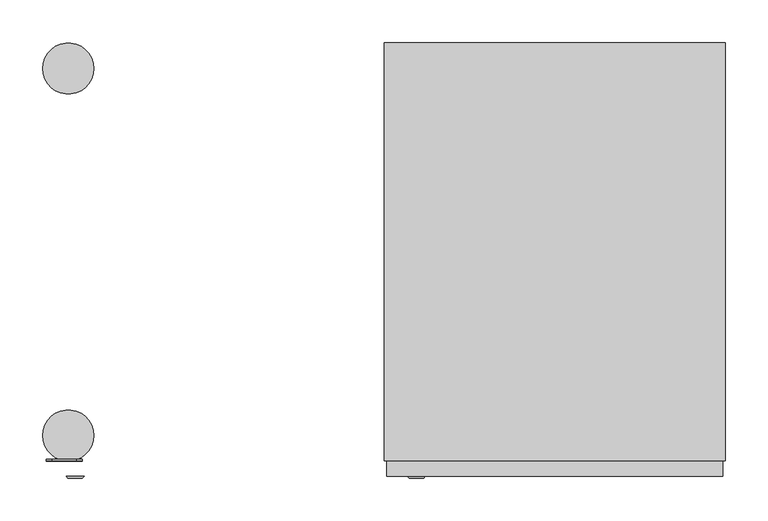
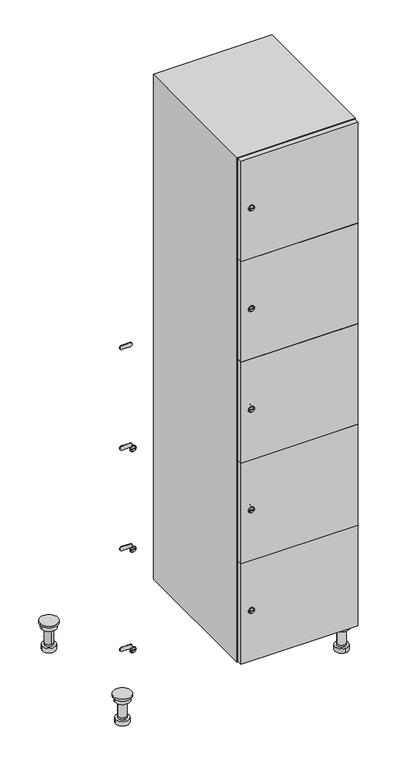
"""IFC4 building model written with IfcOpenShell, lengths in millimetres: furniture geometry."""

from ifc_helpers import new_model, si_unit, point, frame, frame_2d, origin, place, context, project, spatial, polyline, circle_curve, trimmed, segment, composite_curve, outline, extrude, faceted_brep, source, transform, mapped, element, save
from ifc_brep_helpers import plane_surface, cylinder_surface, revolved_surface, advanced_brep


def furniture_a41cfca4(model_context):
    return source(origin(), model_context, "Body", "SolidModel", [
        advanced_brep(
        [(570.0, -201.0, 22.0), (570.0, -201.5, 16.0), (570.0, -228.5, 16.0), (570.0, -229.0, 22.0), (556.0, -215.0, 22.0), (584.0, -215.0, 22.0), (570.0, -192.5, 16.0), (570.0, -237.5, 16.0), (570.0, -192.5, 0.0), (570.0, -237.5, 0.0), (584.0, -215.0, 78.0), (556.0, -215.0, 78.0), (595.0, -215.0, 78.0), (545.0, -215.0, 78.0), (600.0, -215.0, 94.0), (540.0, -215.0, 94.0), (545.0, -215.0, 94.0), (595.0, -215.0, 94.0), (600.0, -215.0, 100.0), (540.0, -215.0, 100.0)],
        [
            (0, 1),
            (1, 2, circle_curve(frame((570.0, -215.0, 16.0), z_axis=(0.0, 0.0, 1.0), x_axis=(0.0, -1.0, 0.0)), 13.5)),
            (2, 3),
            (3, 4, circle_curve(frame((570.0, -215.0, 22.0), z_axis=(0.0, 0.0, -1.0), x_axis=(0.0, -1.0, 0.0)), 14.0)),
            (4, 0, circle_curve(frame((570.0, -215.0, 22.0), z_axis=(0.0, 0.0, -1.0), x_axis=(0.0, -1.0, 0.0)), 14.0)),
            (0, 5, circle_curve(frame((570.0, -215.0, 22.0), z_axis=(0.0, 0.0, -1.0), x_axis=(0.0, 1.0, 0.0)), 14.0)),
            (5, 3, circle_curve(frame((570.0, -215.0, 22.0), z_axis=(0.0, 0.0, -1.0), x_axis=(0.0, 1.0, 0.0)), 14.0)),
            (2, 1, circle_curve(frame((570.0, -215.0, 16.0), z_axis=(0.0, 0.0, 1.0), x_axis=(0.0, 1.0, 0.0)), 13.5)),
            (6, 7, circle_curve(frame((570.0, -215.0, 16.0), z_axis=(0.0, 0.0, 1.0), x_axis=(0.0, -1.0, 0.0)), 22.5)),
            (7, 6, circle_curve(frame((570.0, -215.0, 16.0), z_axis=(0.0, 0.0, 1.0), x_axis=(0.0, -1.0, 0.0)), 22.5)),
            (8, 9, circle_curve(frame((570.0, -215.0, 0.0), z_axis=(0.0, 0.0, -1.0), x_axis=(0.0, -1.0, 0.0)), 22.5)),
            (9, 8, circle_curve(frame((570.0, -215.0, 0.0), z_axis=(0.0, 0.0, -1.0), x_axis=(0.0, -1.0, 0.0)), 22.5)),
            (6, 8),
            (9, 7),
            (5, 10),
            (10, 11, circle_curve(frame((570.0, -215.0, 78.0), z_axis=(0.0, 0.0, -1.0), x_axis=(-1.0, 0.0, 0.0)), 14.0)),
            (11, 4),
            (11, 10, circle_curve(frame((570.0, -215.0, 78.0), z_axis=(0.0, 0.0, -1.0), x_axis=(-1.0, 0.0, 0.0)), 14.0)),
            (12, 13, circle_curve(frame((570.0, -215.0, 78.0), z_axis=(0.0, 0.0, -1.0), x_axis=(-1.0, 0.0, 0.0)), 25.0)),
            (13, 12, circle_curve(frame((570.0, -215.0, 78.0), z_axis=(0.0, 0.0, -1.0), x_axis=(-1.0, 0.0, 0.0)), 25.0)),
            (14, 15, circle_curve(frame((570.0, -215.0, 94.0), z_axis=(0.0, 0.0, -1.0), x_axis=(-1.0, 0.0, 0.0)), 30.0)),
            (15, 14, circle_curve(frame((570.0, -215.0, 94.0), z_axis=(0.0, 0.0, -1.0), x_axis=(-1.0, 0.0, 0.0)), 30.0)),
            (16, 17, circle_curve(frame((570.0, -215.0, 94.0), z_axis=(0.0, 0.0, 1.0), x_axis=(-1.0, 0.0, 0.0)), 25.0)),
            (17, 16, circle_curve(frame((570.0, -215.0, 94.0), z_axis=(0.0, 0.0, 1.0), x_axis=(-1.0, 0.0, 0.0)), 25.0)),
            (18, 19, circle_curve(frame((570.0, -215.0, 100.0), z_axis=(0.0, 0.0, 1.0), x_axis=(-1.0, 0.0, 0.0)), 30.0)),
            (19, 18, circle_curve(frame((570.0, -215.0, 100.0), z_axis=(0.0, 0.0, 1.0), x_axis=(-1.0, 0.0, 0.0)), 30.0)),
            (14, 18),
            (19, 15),
            (12, 17),
            (16, 13),
        ],
        [
            revolved_surface(polyline([(570.0, -201.5, 16.0), (570.0, -201.0, 22.0)]), (570.0, -215.0, -146.0), (0.0, 0.0, 1.0)),
            plane_surface(frame((570.0, 0.0, 16.0), z_axis=(0.0, 0.0, 1.0), x_axis=(0.0, -1.0, 0.0))),
            plane_surface(frame((570.0, 0.0, 0.0), z_axis=(0.0, 0.0, -1.0), x_axis=(0.0, -1.0, 0.0))),
            cylinder_surface(frame((570.0, -215.0, 16.0), z_axis=(0.0, 0.0, 1.0), x_axis=(0.0, -1.0, 0.0)), 22.5),
            cylinder_surface(frame((570.0, -215.0, 22.0), z_axis=(0.0, 0.0, -1.0), x_axis=(-1.0, 0.0, 0.0)), 14.0),
            plane_surface(frame((570.0, 0.0, 78.0), z_axis=(0.0, 0.0, -1.0), x_axis=(0.0, -1.0, 0.0))),
            plane_surface(frame((570.0, 0.0, 94.0), z_axis=(0.0, 0.0, -1.0), x_axis=(0.0, -1.0, 0.0))),
            plane_surface(frame((570.0, 0.0, 100.0), z_axis=(0.0, 0.0, 1.0), x_axis=(0.0, -1.0, 0.0))),
            cylinder_surface(frame((570.0, -215.0, 94.0), z_axis=(0.0, 0.0, -1.0), x_axis=(-1.0, 0.0, 0.0)), 30.0),
            cylinder_surface(frame((570.0, -215.0, 78.0), z_axis=(0.0, 0.0, -1.0), x_axis=(-1.0, 0.0, 0.0)), 25.0),
        ],
        [
            (0, [[1, 2, 3, 4, 5]]),
            (0, [[-1, 6, 7, -3, 8]]),
            (1, [[9, 10], [-2, -8]]),
            (2, [[11, 12]]),
            (3, [[-9, 13, -12, 14]]),
            (3, [[-10, -14, -11, -13]]),
            (4, [[15, 16, 17, -4, -7]]),
            (4, [[-15, -6, -5, -17, 18]]),
            (5, [[19, 20], [-16, -18]]),
            (6, [[21, 22], [23, 24]]),
            (7, [[25, 26]]),
            (8, [[-21, 27, -26, 28]]),
            (8, [[-22, -28, -25, -27]]),
            (9, [[-19, 29, -23, 30]]),
            (9, [[-20, -30, -24, -29]]),
        ],
    ),
        advanced_brep(
        [(-170.0, -201.0, 22.0), (-170.0, -201.5, 16.0), (-170.0, -228.5, 16.0), (-170.0, -229.0, 22.0), (-184.0, -215.0, 22.0), (-156.0, -215.0, 22.0), (-147.5, -215.0, 0.0), (-192.5, -215.0, 0.0), (-147.5, -215.0, 16.0), (-192.5, -215.0, 16.0), (-156.0, -215.0, 78.0), (-184.0, -215.0, 78.0), (-145.0, -215.0, 78.0), (-195.0, -215.0, 78.0), (-140.0, -215.0, 94.0), (-200.0, -215.0, 94.0), (-195.0, -215.0, 94.0), (-145.0, -215.0, 94.0), (-140.0, -215.0, 100.0), (-200.0, -215.0, 100.0)],
        [
            (0, 1),
            (1, 2, circle_curve(frame((-170.0, -215.0, 16.0), z_axis=(0.0, 0.0, 1.0), x_axis=(0.0, -1.0, 0.0)), 13.5)),
            (2, 3),
            (3, 4, circle_curve(frame((-170.0, -215.0, 22.0), z_axis=(0.0, 0.0, -1.0), x_axis=(0.0, -1.0, 0.0)), 14.0)),
            (4, 0, circle_curve(frame((-170.0, -215.0, 22.0), z_axis=(0.0, 0.0, -1.0), x_axis=(0.0, -1.0, 0.0)), 14.0)),
            (0, 5, circle_curve(frame((-170.0, -215.0, 22.0), z_axis=(0.0, 0.0, -1.0), x_axis=(0.0, 1.0, 0.0)), 14.0)),
            (5, 3, circle_curve(frame((-170.0, -215.0, 22.0), z_axis=(0.0, 0.0, -1.0), x_axis=(0.0, 1.0, 0.0)), 14.0)),
            (2, 1, circle_curve(frame((-170.0, -215.0, 16.0), z_axis=(0.0, 0.0, 1.0), x_axis=(0.0, 1.0, 0.0)), 13.5)),
            (6, 7, circle_curve(frame((-170.0, -215.0, 0.0), z_axis=(0.0, 0.0, -1.0), x_axis=(-1.0, 0.0, 0.0)), 22.5)),
            (7, 6, circle_curve(frame((-170.0, -215.0, 0.0), z_axis=(0.0, 0.0, -1.0), x_axis=(-1.0, 0.0, 0.0)), 22.5)),
            (8, 9, circle_curve(frame((-170.0, -215.0, 16.0), z_axis=(0.0, 0.0, 1.0), x_axis=(-1.0, 0.0, 0.0)), 22.5)),
            (9, 8, circle_curve(frame((-170.0, -215.0, 16.0), z_axis=(0.0, 0.0, 1.0), x_axis=(-1.0, 0.0, 0.0)), 22.5)),
            (6, 8),
            (9, 7),
            (5, 10),
            (10, 11, circle_curve(frame((-170.0, -215.0, 78.0), z_axis=(0.0, 0.0, -1.0), x_axis=(-1.0, 0.0, 0.0)), 14.0)),
            (11, 4),
            (11, 10, circle_curve(frame((-170.0, -215.0, 78.0), z_axis=(0.0, 0.0, -1.0), x_axis=(-1.0, 0.0, 0.0)), 14.0)),
            (12, 13, circle_curve(frame((-170.0, -215.0, 78.0), z_axis=(0.0, 0.0, -1.0), x_axis=(-1.0, 0.0, 0.0)), 25.0)),
            (13, 12, circle_curve(frame((-170.0, -215.0, 78.0), z_axis=(0.0, 0.0, -1.0), x_axis=(-1.0, 0.0, 0.0)), 25.0)),
            (14, 15, circle_curve(frame((-170.0, -215.0, 94.0), z_axis=(0.0, 0.0, -1.0), x_axis=(-1.0, 0.0, 0.0)), 30.0)),
            (15, 14, circle_curve(frame((-170.0, -215.0, 94.0), z_axis=(0.0, 0.0, -1.0), x_axis=(-1.0, 0.0, 0.0)), 30.0)),
            (16, 17, circle_curve(frame((-170.0, -215.0, 94.0), z_axis=(0.0, 0.0, 1.0), x_axis=(-1.0, 0.0, 0.0)), 25.0)),
            (17, 16, circle_curve(frame((-170.0, -215.0, 94.0), z_axis=(0.0, 0.0, 1.0), x_axis=(-1.0, 0.0, 0.0)), 25.0)),
            (18, 19, circle_curve(frame((-170.0, -215.0, 100.0), z_axis=(0.0, 0.0, 1.0), x_axis=(-1.0, 0.0, 0.0)), 30.0)),
            (19, 18, circle_curve(frame((-170.0, -215.0, 100.0), z_axis=(0.0, 0.0, 1.0), x_axis=(-1.0, 0.0, 0.0)), 30.0)),
            (14, 18),
            (19, 15),
            (12, 17),
            (16, 13),
        ],
        [
            revolved_surface(polyline([(-170.0, -201.5, 16.0), (-170.0, -201.0, 22.0)]), (-170.0, -215.0, -146.0), (0.0, 0.0, 1.0)),
            plane_surface(frame((-170.0, 0.0, 0.0), z_axis=(0.0, 0.0, -1.0), x_axis=(0.0, -1.0, 0.0))),
            plane_surface(frame((-170.0, 0.0, 16.0), z_axis=(0.0, 0.0, 1.0), x_axis=(0.0, -1.0, 0.0))),
            cylinder_surface(frame((-170.0, -215.0, 0.0), z_axis=(0.0, 0.0, -1.0), x_axis=(-1.0, 0.0, 0.0)), 22.5),
            cylinder_surface(frame((-170.0, -215.0, 22.0), z_axis=(0.0, 0.0, -1.0), x_axis=(-1.0, 0.0, 0.0)), 14.0),
            plane_surface(frame((-170.0, 0.0, 78.0), z_axis=(0.0, 0.0, -1.0), x_axis=(0.0, -1.0, 0.0))),
            plane_surface(frame((-170.0, 0.0, 94.0), z_axis=(0.0, 0.0, -1.0), x_axis=(0.0, -1.0, 0.0))),
            plane_surface(frame((-170.0, 0.0, 100.0), z_axis=(0.0, 0.0, 1.0), x_axis=(0.0, -1.0, 0.0))),
            cylinder_surface(frame((-170.0, -215.0, 94.0), z_axis=(0.0, 0.0, -1.0), x_axis=(-1.0, 0.0, 0.0)), 30.0),
            cylinder_surface(frame((-170.0, -215.0, 78.0), z_axis=(0.0, 0.0, -1.0), x_axis=(-1.0, 0.0, 0.0)), 25.0),
        ],
        [
            (0, [[1, 2, 3, 4, 5]]),
            (0, [[-1, 6, 7, -3, 8]]),
            (1, [[9, 10]]),
            (2, [[11, 12], [-2, -8]]),
            (3, [[-9, 13, -12, 14]]),
            (3, [[-10, -14, -11, -13]]),
            (4, [[15, 16, 17, -4, -7]]),
            (4, [[-15, -6, -5, -17, 18]]),
            (5, [[19, 20], [-16, -18]]),
            (6, [[21, 22], [23, 24]]),
            (7, [[25, 26]]),
            (8, [[-21, 27, -26, 28]]),
            (8, [[-22, -28, -25, -27]]),
            (9, [[-19, 29, -23, 30]]),
            (9, [[-20, -30, -24, -29]]),
        ],
    ),
        advanced_brep(
        [(583.5, 215.0, 16.0), (584.0, 215.0, 22.0), (556.0, 215.0, 22.0), (556.5, 215.0, 16.0), (592.5, 215.0, 0.0), (547.5, 215.0, 0.0), (592.5, 215.0, 16.0), (547.5, 215.0, 16.0), (584.0, 215.0, 78.0), (556.0, 215.0, 78.0), (595.0, 215.0, 78.0), (545.0, 215.0, 78.0), (600.0, 215.0, 94.0), (540.0, 215.0, 94.0), (545.0, 215.0, 94.0), (595.0, 215.0, 94.0), (600.0, 215.0, 100.0), (540.0, 215.0, 100.0)],
        [
            (0, 1),
            (1, 2, circle_curve(frame((570.0, 215.0, 22.0), z_axis=(0.0, 0.0, -1.0), x_axis=(-1.0, 0.0, 0.0)), 14.0)),
            (2, 3),
            (3, 0, circle_curve(frame((570.0, 215.0, 16.0), z_axis=(0.0, 0.0, 1.0), x_axis=(-1.0, 0.0, 0.0)), 13.5)),
            (0, 3, circle_curve(frame((570.0, 215.0, 16.0), z_axis=(0.0, 0.0, 1.0), x_axis=(1.0, 0.0, 0.0)), 13.5)),
            (2, 1, circle_curve(frame((570.0, 215.0, 22.0), z_axis=(0.0, 0.0, -1.0), x_axis=(1.0, 0.0, 0.0)), 14.0)),
            (4, 5, circle_curve(frame((570.0, 215.0, 0.0), z_axis=(0.0, 0.0, -1.0), x_axis=(-1.0, 0.0, 0.0)), 22.5)),
            (5, 4, circle_curve(frame((570.0, 215.0, 0.0), z_axis=(0.0, 0.0, -1.0), x_axis=(-1.0, 0.0, 0.0)), 22.5)),
            (6, 7, circle_curve(frame((570.0, 215.0, 16.0), z_axis=(0.0, 0.0, 1.0), x_axis=(-1.0, 0.0, 0.0)), 22.5)),
            (7, 6, circle_curve(frame((570.0, 215.0, 16.0), z_axis=(0.0, 0.0, 1.0), x_axis=(-1.0, 0.0, 0.0)), 22.5)),
            (4, 6),
            (7, 5),
            (1, 8),
            (8, 9, circle_curve(frame((570.0, 215.0, 78.0), z_axis=(0.0, 0.0, -1.0), x_axis=(-1.0, 0.0, 0.0)), 14.0)),
            (9, 2),
            (9, 8, circle_curve(frame((570.0, 215.0, 78.0), z_axis=(0.0, 0.0, -1.0), x_axis=(-1.0, 0.0, 0.0)), 14.0)),
            (10, 11, circle_curve(frame((570.0, 215.0, 78.0), z_axis=(0.0, 0.0, -1.0), x_axis=(-1.0, 0.0, 0.0)), 25.0)),
            (11, 10, circle_curve(frame((570.0, 215.0, 78.0), z_axis=(0.0, 0.0, -1.0), x_axis=(-1.0, 0.0, 0.0)), 25.0)),
            (12, 13, circle_curve(frame((570.0, 215.0, 94.0), z_axis=(0.0, 0.0, -1.0), x_axis=(-1.0, 0.0, 0.0)), 30.0)),
            (13, 12, circle_curve(frame((570.0, 215.0, 94.0), z_axis=(0.0, 0.0, -1.0), x_axis=(-1.0, 0.0, 0.0)), 30.0)),
            (14, 15, circle_curve(frame((570.0, 215.0, 94.0), z_axis=(0.0, 0.0, 1.0), x_axis=(-1.0, 0.0, 0.0)), 25.0)),
            (15, 14, circle_curve(frame((570.0, 215.0, 94.0), z_axis=(0.0, 0.0, 1.0), x_axis=(-1.0, 0.0, 0.0)), 25.0)),
            (16, 17, circle_curve(frame((570.0, 215.0, 100.0), z_axis=(0.0, 0.0, 1.0), x_axis=(-1.0, 0.0, 0.0)), 30.0)),
            (17, 16, circle_curve(frame((570.0, 215.0, 100.0), z_axis=(0.0, 0.0, 1.0), x_axis=(-1.0, 0.0, 0.0)), 30.0)),
            (12, 16),
            (17, 13),
            (10, 15),
            (14, 11),
        ],
        [
            revolved_surface(polyline([(583.5, 215.0, 16.0), (584.0, 215.0, 22.0)]), (570.0, 215.0, -146.0), (0.0, 0.0, 1.0)),
            plane_surface(frame((570.0, 0.0, 0.0), z_axis=(0.0, 0.0, -1.0), x_axis=(0.0, -1.0, 0.0))),
            plane_surface(frame((570.0, 0.0, 16.0), z_axis=(0.0, 0.0, 1.0), x_axis=(0.0, -1.0, 0.0))),
            cylinder_surface(frame((570.0, 215.0, 0.0), z_axis=(0.0, 0.0, -1.0), x_axis=(-1.0, 0.0, 0.0)), 22.5),
            cylinder_surface(frame((570.0, 215.0, 22.0), z_axis=(0.0, 0.0, -1.0), x_axis=(-1.0, 0.0, 0.0)), 14.0),
            plane_surface(frame((570.0, 0.0, 78.0), z_axis=(0.0, 0.0, -1.0), x_axis=(0.0, -1.0, 0.0))),
            plane_surface(frame((570.0, 0.0, 94.0), z_axis=(0.0, 0.0, -1.0), x_axis=(0.0, -1.0, 0.0))),
            plane_surface(frame((570.0, 0.0, 100.0), z_axis=(0.0, 0.0, 1.0), x_axis=(0.0, -1.0, 0.0))),
            cylinder_surface(frame((570.0, 215.0, 94.0), z_axis=(0.0, 0.0, -1.0), x_axis=(-1.0, 0.0, 0.0)), 30.0),
            cylinder_surface(frame((570.0, 215.0, 78.0), z_axis=(0.0, 0.0, -1.0), x_axis=(-1.0, 0.0, 0.0)), 25.0),
        ],
        [
            (0, [[1, 2, 3, 4]]),
            (0, [[-1, 5, -3, 6]]),
            (1, [[7, 8]]),
            (2, [[9, 10], [-4, -5]]),
            (3, [[-7, 11, -10, 12]]),
            (3, [[-8, -12, -9, -11]]),
            (4, [[13, 14, 15, -2]]),
            (4, [[-13, -6, -15, 16]]),
            (5, [[17, 18], [-14, -16]]),
            (6, [[19, 20], [21, 22]]),
            (7, [[23, 24]]),
            (8, [[-19, 25, -24, 26]]),
            (8, [[-20, -26, -23, -25]]),
            (9, [[-17, 27, -21, 28]]),
            (9, [[-18, -28, -22, -27]]),
        ],
    ),
        advanced_brep(
        [(-156.5, 215.0, 16.0), (-156.0, 215.0, 22.0), (-170.0, 201.0, 22.0), (-184.0, 215.0, 22.0), (-183.5, 215.0, 16.0), (-170.0, 229.0, 22.0), (-147.5, 215.0, 0.0), (-192.5, 215.0, 0.0), (-147.5, 215.0, 16.0), (-192.5, 215.0, 16.0), (-170.0, 229.0, 78.0), (-170.0, 201.0, 78.0), (-145.0, 215.0, 78.0), (-195.0, 215.0, 78.0), (-140.0, 215.0, 94.0), (-200.0, 215.0, 94.0), (-195.0, 215.0, 94.0), (-145.0, 215.0, 94.0), (-140.0, 215.0, 100.0), (-200.0, 215.0, 100.0)],
        [
            (0, 1),
            (1, 2, circle_curve(frame((-170.0, 215.0, 22.0), z_axis=(0.0, 0.0, -1.0), x_axis=(-1.0, 0.0, 0.0)), 14.0)),
            (2, 3, circle_curve(frame((-170.0, 215.0, 22.0), z_axis=(0.0, 0.0, -1.0), x_axis=(-1.0, 0.0, 0.0)), 14.0)),
            (3, 4),
            (4, 0, circle_curve(frame((-170.0, 215.0, 16.0), z_axis=(0.0, 0.0, 1.0), x_axis=(-1.0, 0.0, 0.0)), 13.5)),
            (0, 4, circle_curve(frame((-170.0, 215.0, 16.0), z_axis=(0.0, 0.0, 1.0), x_axis=(1.0, 0.0, 0.0)), 13.5)),
            (3, 5, circle_curve(frame((-170.0, 215.0, 22.0), z_axis=(0.0, 0.0, -1.0), x_axis=(1.0, 0.0, 0.0)), 14.0)),
            (5, 1, circle_curve(frame((-170.0, 215.0, 22.0), z_axis=(0.0, 0.0, -1.0), x_axis=(1.0, 0.0, 0.0)), 14.0)),
            (6, 7, circle_curve(frame((-170.0, 215.0, 0.0), z_axis=(0.0, 0.0, -1.0), x_axis=(-1.0, 0.0, 0.0)), 22.5)),
            (7, 6, circle_curve(frame((-170.0, 215.0, 0.0), z_axis=(0.0, 0.0, -1.0), x_axis=(-1.0, 0.0, 0.0)), 22.5)),
            (8, 9, circle_curve(frame((-170.0, 215.0, 16.0), z_axis=(0.0, 0.0, 1.0), x_axis=(-1.0, 0.0, 0.0)), 22.5)),
            (9, 8, circle_curve(frame((-170.0, 215.0, 16.0), z_axis=(0.0, 0.0, 1.0), x_axis=(-1.0, 0.0, 0.0)), 22.5)),
            (6, 8),
            (9, 7),
            (10, 5),
            (2, 11),
            (11, 10, circle_curve(frame((-170.0, 215.0, 78.0), z_axis=(0.0, 0.0, -1.0), x_axis=(0.0, -1.0, 0.0)), 14.0)),
            (10, 11, circle_curve(frame((-170.0, 215.0, 78.0), z_axis=(0.0, 0.0, -1.0), x_axis=(0.0, -1.0, 0.0)), 14.0)),
            (12, 13, circle_curve(frame((-170.0, 215.0, 78.0), z_axis=(0.0, 0.0, -1.0), x_axis=(-1.0, 0.0, 0.0)), 25.0)),
            (13, 12, circle_curve(frame((-170.0, 215.0, 78.0), z_axis=(0.0, 0.0, -1.0), x_axis=(-1.0, 0.0, 0.0)), 25.0)),
            (14, 15, circle_curve(frame((-170.0, 215.0, 94.0), z_axis=(0.0, 0.0, -1.0), x_axis=(-1.0, 0.0, 0.0)), 30.0)),
            (15, 14, circle_curve(frame((-170.0, 215.0, 94.0), z_axis=(0.0, 0.0, -1.0), x_axis=(-1.0, 0.0, 0.0)), 30.0)),
            (16, 17, circle_curve(frame((-170.0, 215.0, 94.0), z_axis=(0.0, 0.0, 1.0), x_axis=(-1.0, 0.0, 0.0)), 25.0)),
            (17, 16, circle_curve(frame((-170.0, 215.0, 94.0), z_axis=(0.0, 0.0, 1.0), x_axis=(-1.0, 0.0, 0.0)), 25.0)),
            (18, 19, circle_curve(frame((-170.0, 215.0, 100.0), z_axis=(0.0, 0.0, 1.0), x_axis=(-1.0, 0.0, 0.0)), 30.0)),
            (19, 18, circle_curve(frame((-170.0, 215.0, 100.0), z_axis=(0.0, 0.0, 1.0), x_axis=(-1.0, 0.0, 0.0)), 30.0)),
            (14, 18),
            (19, 15),
            (12, 17),
            (16, 13),
        ],
        [
            revolved_surface(polyline([(-156.5, 215.0, 16.0), (-156.0, 215.0, 22.0)]), (-170.0, 215.0, -146.0), (0.0, 0.0, 1.0)),
            plane_surface(frame((-170.0, 0.0, 0.0), z_axis=(0.0, 0.0, -1.0), x_axis=(0.0, -1.0, 0.0))),
            plane_surface(frame((-170.0, 0.0, 16.0), z_axis=(0.0, 0.0, 1.0), x_axis=(0.0, -1.0, 0.0))),
            cylinder_surface(frame((-170.0, 215.0, 0.0), z_axis=(0.0, 0.0, -1.0), x_axis=(-1.0, 0.0, 0.0)), 22.5),
            cylinder_surface(frame((-170.0, 215.0, 78.0), z_axis=(0.0, 0.0, 1.0), x_axis=(0.0, -1.0, 0.0)), 14.0),
            plane_surface(frame((-170.0, 0.0, 78.0), z_axis=(0.0, 0.0, -1.0), x_axis=(0.0, -1.0, 0.0))),
            plane_surface(frame((-170.0, 0.0, 94.0), z_axis=(0.0, 0.0, -1.0), x_axis=(0.0, -1.0, 0.0))),
            plane_surface(frame((-170.0, 0.0, 100.0), z_axis=(0.0, 0.0, 1.0), x_axis=(0.0, -1.0, 0.0))),
            cylinder_surface(frame((-170.0, 215.0, 94.0), z_axis=(0.0, 0.0, -1.0), x_axis=(-1.0, 0.0, 0.0)), 30.0),
            cylinder_surface(frame((-170.0, 215.0, 78.0), z_axis=(0.0, 0.0, -1.0), x_axis=(-1.0, 0.0, 0.0)), 25.0),
        ],
        [
            (0, [[1, 2, 3, 4, 5]]),
            (0, [[-1, 6, -4, 7, 8]]),
            (1, [[9, 10]]),
            (2, [[11, 12], [-5, -6]]),
            (3, [[-9, 13, -12, 14]]),
            (3, [[-10, -14, -11, -13]]),
            (4, [[15, -7, -3, 16, 17]]),
            (4, [[-15, 18, -16, -2, -8]]),
            (5, [[19, 20], [-17, -18]]),
            (6, [[21, 22], [23, 24]]),
            (7, [[25, 26]]),
            (8, [[-21, 27, -26, 28]]),
            (8, [[-22, -28, -25, -27]]),
            (9, [[-19, 29, -23, 30]]),
            (9, [[-20, -30, -24, -29]]),
        ],
    ),
        extrude(outline(composite_curve([segment(trimmed(circle_curve(frame_2d((282.4, 211.2010534)), 7.0), [point((289.4, 211.2010534))], [point((275.4, 211.2010534))], False, "CARTESIAN"), True, "CONTINUOUS"), segment(polyline([(275.4, 211.2010534), (275.4, 239.2010534)]), True, "CONTINUOUS"), segment(trimmed(circle_curve(frame_2d((282.4, 239.2010534)), 7.0), [point((275.4, 239.2010534))], [point((289.4, 239.2010534))], False, "CARTESIAN"), True, "CONTINUOUS"), segment(polyline([(289.4, 239.2010534), (289.4, 211.2010534)]), True, "CONTINUOUS")], self_intersect=False)), frame((0.0, -245.0, 0.0), z_axis=(0.0, 1.0, 0.0), x_axis=(0.0, 0.0, 1.0)), (0.0, 0.0, 1.0), 2.0),
        advanced_brep(
        [(246.5, -265.2, 282.4), (229.5, -265.2, 282.4), (233.0, -265.2, 281.15), (233.0, -265.2, 283.65), (243.0, -265.2, 283.65), (243.0, -265.2, 281.15), (248.5, -263.0, 282.4), (227.5, -263.0, 282.4), (233.0, -263.0, 283.65), (233.0, -263.0, 281.15), (243.0, -263.0, 281.15), (243.0, -263.0, 283.65)],
        [
            (0, 1, circle_curve(frame((238.0, -265.2, 282.4), z_axis=(0.0, -1.0, 0.0), x_axis=(1.0, 0.0, 0.0)), 8.5)),
            (1, 0, circle_curve(frame((238.0, -265.2, 282.4), z_axis=(0.0, -1.0, 0.0), x_axis=(-1.0, 0.0, 0.0)), 8.5)),
            (2, 3),
            (3, 4),
            (4, 5),
            (5, 2),
            (6, 7, circle_curve(frame((238.0, -263.0, 282.4), z_axis=(0.0, 1.0, 0.0), x_axis=(-1.0, 0.0, 0.0)), 10.5)),
            (7, 6, circle_curve(frame((238.0, -263.0, 282.4), z_axis=(0.0, 1.0, 0.0), x_axis=(1.0, 0.0, 0.0)), 10.5)),
            (8, 9),
            (9, 10),
            (10, 11),
            (11, 8),
            (0, 6),
            (7, 1),
            (8, 3),
            (2, 9),
            (11, 4),
            (10, 5),
        ],
        [
            plane_surface(frame((238.0, -265.2, 282.4), z_axis=(0.0, -1.0, 0.0), x_axis=(0.0, 0.0, 1.0))),
            plane_surface(frame((238.0, -263.0, 282.4), z_axis=(0.0, 1.0, 0.0), x_axis=(0.0, 0.0, 1.0))),
            revolved_surface(polyline([(246.5, -265.2, 282.4), (248.5, -263.0, 282.4)]), (238.0, -274.55, 282.4), (0.0, 1.0, 0.0)),
            revolved_surface(polyline([(229.5, -265.2, 282.4), (227.5, -263.0, 282.4)]), (238.0, -274.55, 282.4), (0.0, 1.0, 0.0)),
            plane_surface(frame((233.0, -263.0, 281.15), z_axis=(1.0, 0.0, 0.0), x_axis=(0.0, -1.0, 0.0))),
            plane_surface(frame((233.0, -263.0, 283.65), z_axis=(0.0, 0.0, -1.0), x_axis=(0.0, -1.0, 0.0))),
            plane_surface(frame((243.0, -263.0, 283.65), z_axis=(-1.0, 0.0, 0.0), x_axis=(0.0, -1.0, 0.0))),
            plane_surface(frame((243.0, -263.0, 281.15), z_axis=(0.0, 0.0, 1.0), x_axis=(0.0, -1.0, 0.0))),
        ],
        [
            (0, [[1, 2], [3, 4, 5, 6]]),
            (1, [[7, 8], [9, 10, 11, 12]]),
            (2, [[-1, 13, -8, 14]]),
            (3, [[-2, -14, -7, -13]]),
            (4, [[15, -3, 16, -9]]),
            (5, [[-15, -12, 17, -4]]),
            (6, [[-17, -11, 18, -5]]),
            (7, [[-16, -6, -18, -10]]),
        ],
    ),
        extrude(outline(composite_curve([segment(trimmed(circle_curve(frame_2d((641.2, 211.2010534)), 7.0), [point((648.2, 211.2010534))], [point((634.2, 211.2010534))], False, "CARTESIAN"), True, "CONTINUOUS"), segment(polyline([(634.2, 211.2010534), (634.2, 239.2010534)]), True, "CONTINUOUS"), segment(trimmed(circle_curve(frame_2d((641.2, 239.2010534)), 7.0), [point((634.2, 239.2010534))], [point((648.2, 239.2010534))], False, "CARTESIAN"), True, "CONTINUOUS"), segment(polyline([(648.2, 239.2010534), (648.2, 211.2010534)]), True, "CONTINUOUS")], self_intersect=False)), frame((0.0, -245.0, 0.0), z_axis=(0.0, 1.0, 0.0), x_axis=(0.0, 0.0, 1.0)), (0.0, 0.0, 1.0), 2.0),
        advanced_brep(
        [(246.5, -265.2, 641.2), (229.5, -265.2, 641.2), (233.0, -265.2, 639.95), (233.0, -265.2, 642.45), (243.0, -265.2, 642.45), (243.0, -265.2, 639.95), (248.5, -263.0, 641.2), (227.5, -263.0, 641.2), (233.0, -263.0, 642.45), (233.0, -263.0, 639.95), (243.0, -263.0, 639.95), (243.0, -263.0, 642.45)],
        [
            (0, 1, circle_curve(frame((238.0, -265.2, 641.2), z_axis=(0.0, -1.0, 0.0), x_axis=(1.0, 0.0, 0.0)), 8.5)),
            (1, 0, circle_curve(frame((238.0, -265.2, 641.2), z_axis=(0.0, -1.0, 0.0), x_axis=(-1.0, 0.0, 0.0)), 8.5)),
            (2, 3),
            (3, 4),
            (4, 5),
            (5, 2),
            (6, 7, circle_curve(frame((238.0, -263.0, 641.2), z_axis=(0.0, 1.0, 0.0), x_axis=(-1.0, 0.0, 0.0)), 10.5)),
            (7, 6, circle_curve(frame((238.0, -263.0, 641.2), z_axis=(0.0, 1.0, 0.0), x_axis=(1.0, 0.0, 0.0)), 10.5)),
            (8, 9),
            (9, 10),
            (10, 11),
            (11, 8),
            (0, 6),
            (7, 1),
            (8, 3),
            (2, 9),
            (11, 4),
            (10, 5),
        ],
        [
            plane_surface(frame((238.0, -265.2, 641.2), z_axis=(0.0, -1.0, 0.0), x_axis=(0.0, 0.0, 1.0))),
            plane_surface(frame((238.0, -263.0, 641.2), z_axis=(0.0, 1.0, 0.0), x_axis=(0.0, 0.0, 1.0))),
            revolved_surface(polyline([(246.5, -265.2, 641.2), (248.5, -263.0, 641.2)]), (238.0, -274.55, 641.2), (0.0, 1.0, 0.0)),
            revolved_surface(polyline([(229.5, -265.2, 641.2), (227.5, -263.0, 641.2)]), (238.0, -274.55, 641.2), (0.0, 1.0, 0.0)),
            plane_surface(frame((233.0, -263.0, 639.95), z_axis=(1.0, 0.0, 0.0), x_axis=(0.0, -1.0, 0.0))),
            plane_surface(frame((233.0, -263.0, 642.45), z_axis=(0.0, 0.0, -1.0), x_axis=(0.0, -1.0, 0.0))),
            plane_surface(frame((243.0, -263.0, 642.45), z_axis=(-1.0, 0.0, 0.0), x_axis=(0.0, -1.0, 0.0))),
            plane_surface(frame((243.0, -263.0, 639.95), z_axis=(0.0, 0.0, 1.0), x_axis=(0.0, -1.0, 0.0))),
        ],
        [
            (0, [[1, 2], [3, 4, 5, 6]]),
            (1, [[7, 8], [9, 10, 11, 12]]),
            (2, [[-1, 13, -8, 14]]),
            (3, [[-2, -14, -7, -13]]),
            (4, [[15, -3, 16, -9]]),
            (5, [[-15, -12, 17, -4]]),
            (6, [[-17, -11, 18, -5]]),
            (7, [[-16, -6, -18, -10]]),
        ],
    ),
        extrude(outline(composite_curve([segment(trimmed(circle_curve(frame_2d((1000.0, 211.2010534)), 7.0), [point((1007.0, 211.2010534))], [point((993.0, 211.2010534))], False, "CARTESIAN"), True, "CONTINUOUS"), segment(polyline([(993.0, 211.2010534), (993.0, 239.2010534)]), True, "CONTINUOUS"), segment(trimmed(circle_curve(frame_2d((1000.0, 239.2010534)), 7.0), [point((993.0, 239.2010534))], [point((1007.0, 239.2010534))], False, "CARTESIAN"), True, "CONTINUOUS"), segment(polyline([(1007.0, 239.2010534), (1007.0, 211.2010534)]), True, "CONTINUOUS")], self_intersect=False)), frame((0.0, -245.0, 0.0), z_axis=(0.0, 1.0, 0.0), x_axis=(0.0, 0.0, 1.0)), (0.0, 0.0, 1.0), 2.0),
        advanced_brep(
        [(246.5, -265.2, 1000.0), (229.5, -265.2, 1000.0), (233.0, -265.2, 998.75), (233.0, -265.2, 1001.25), (243.0, -265.2, 1001.25), (243.0, -265.2, 998.75), (248.5, -263.0, 1000.0), (227.5, -263.0, 1000.0), (233.0, -263.0, 1001.25), (233.0, -263.0, 998.75), (243.0, -263.0, 998.75), (243.0, -263.0, 1001.25)],
        [
            (0, 1, circle_curve(frame((238.0, -265.2, 1000.0), z_axis=(0.0, -1.0, 0.0), x_axis=(1.0, 0.0, 0.0)), 8.5)),
            (1, 0, circle_curve(frame((238.0, -265.2, 1000.0), z_axis=(0.0, -1.0, 0.0), x_axis=(-1.0, 0.0, 0.0)), 8.5)),
            (2, 3),
            (3, 4),
            (4, 5),
            (5, 2),
            (6, 7, circle_curve(frame((238.0, -263.0, 1000.0), z_axis=(0.0, 1.0, 0.0), x_axis=(-1.0, 0.0, 0.0)), 10.5)),
            (7, 6, circle_curve(frame((238.0, -263.0, 1000.0), z_axis=(0.0, 1.0, 0.0), x_axis=(1.0, 0.0, 0.0)), 10.5)),
            (8, 9),
            (9, 10),
            (10, 11),
            (11, 8),
            (0, 6),
            (7, 1),
            (8, 3),
            (2, 9),
            (11, 4),
            (10, 5),
        ],
        [
            plane_surface(frame((238.0, -265.2, 1000.0), z_axis=(0.0, -1.0, 0.0), x_axis=(0.0, 0.0, 1.0))),
            plane_surface(frame((238.0, -263.0, 1000.0), z_axis=(0.0, 1.0, 0.0), x_axis=(0.0, 0.0, 1.0))),
            revolved_surface(polyline([(246.5, -265.2, 1000.0), (248.5, -263.0, 1000.0)]), (238.0, -274.55, 1000.0), (0.0, 1.0, 0.0)),
            revolved_surface(polyline([(229.5, -265.2, 1000.0), (227.5, -263.0, 1000.0)]), (238.0, -274.55, 1000.0), (0.0, 1.0, 0.0)),
            plane_surface(frame((233.0, -263.0, 998.75), z_axis=(1.0, 0.0, 0.0), x_axis=(0.0, -1.0, 0.0))),
            plane_surface(frame((233.0, -263.0, 1001.25), z_axis=(0.0, 0.0, -1.0), x_axis=(0.0, -1.0, 0.0))),
            plane_surface(frame((243.0, -263.0, 1001.25), z_axis=(-1.0, 0.0, 0.0), x_axis=(0.0, -1.0, 0.0))),
            plane_surface(frame((243.0, -263.0, 998.75), z_axis=(0.0, 0.0, 1.0), x_axis=(0.0, -1.0, 0.0))),
        ],
        [
            (0, [[1, 2], [3, 4, 5, 6]]),
            (1, [[7, 8], [9, 10, 11, 12]]),
            (2, [[-1, 13, -8, 14]]),
            (3, [[-2, -14, -7, -13]]),
            (4, [[15, -3, 16, -9]]),
            (5, [[-15, -12, 17, -4]]),
            (6, [[-17, -11, 18, -5]]),
            (7, [[-16, -6, -18, -10]]),
        ],
    ),
        extrude(outline(composite_curve([segment(trimmed(circle_curve(frame_2d((1358.8, 211.2010534)), 7.0), [point((1365.8, 211.2010534))], [point((1351.8, 211.2010534))], False, "CARTESIAN"), True, "CONTINUOUS"), segment(polyline([(1351.8, 211.2010534), (1351.8, 239.2010534)]), True, "CONTINUOUS"), segment(trimmed(circle_curve(frame_2d((1358.8, 239.2010534)), 7.0), [point((1351.8, 239.2010534))], [point((1365.8, 239.2010534))], False, "CARTESIAN"), True, "CONTINUOUS"), segment(polyline([(1365.8, 239.2010534), (1365.8, 211.2010534)]), True, "CONTINUOUS")], self_intersect=False)), frame((0.0, -245.0, 0.0), z_axis=(0.0, 1.0, 0.0), x_axis=(0.0, 0.0, 1.0)), (0.0, 0.0, 1.0), 2.0),
        advanced_brep(
        [(246.5, -265.2, 1358.8), (229.5, -265.2, 1358.8), (233.0, -265.2, 1357.55), (233.0, -265.2, 1360.05), (243.0, -265.2, 1360.05), (243.0, -265.2, 1357.55), (248.5, -263.0, 1358.8), (227.5, -263.0, 1358.8), (233.0, -263.0, 1360.05), (233.0, -263.0, 1357.55), (243.0, -263.0, 1357.55), (243.0, -263.0, 1360.05)],
        [
            (0, 1, circle_curve(frame((238.0, -265.2, 1358.8), z_axis=(0.0, -1.0, 0.0), x_axis=(1.0, 0.0, 0.0)), 8.5)),
            (1, 0, circle_curve(frame((238.0, -265.2, 1358.8), z_axis=(0.0, -1.0, 0.0), x_axis=(-1.0, 0.0, 0.0)), 8.5)),
            (2, 3),
            (3, 4),
            (4, 5),
            (5, 2),
            (6, 7, circle_curve(frame((238.0, -263.0, 1358.8), z_axis=(0.0, 1.0, 0.0), x_axis=(-1.0, 0.0, 0.0)), 10.5)),
            (7, 6, circle_curve(frame((238.0, -263.0, 1358.8), z_axis=(0.0, 1.0, 0.0), x_axis=(1.0, 0.0, 0.0)), 10.5)),
            (8, 9),
            (9, 10),
            (10, 11),
            (11, 8),
            (0, 6),
            (7, 1),
            (8, 3),
            (2, 9),
            (11, 4),
            (10, 5),
        ],
        [
            plane_surface(frame((238.0, -265.2, 1358.8), z_axis=(0.0, -1.0, 0.0), x_axis=(0.0, 0.0, 1.0))),
            plane_surface(frame((238.0, -263.0, 1358.8), z_axis=(0.0, 1.0, 0.0), x_axis=(0.0, 0.0, 1.0))),
            revolved_surface(polyline([(246.5, -265.2, 1358.8), (248.5, -263.0, 1358.8)]), (238.0, -274.55, 1358.8), (0.0, 1.0, 0.0)),
            revolved_surface(polyline([(229.5, -265.2, 1358.8), (227.5, -263.0, 1358.8)]), (238.0, -274.55, 1358.8), (0.0, 1.0, 0.0)),
            plane_surface(frame((233.0, -263.0, 1357.55), z_axis=(1.0, 0.0, 0.0), x_axis=(0.0, -1.0, 0.0))),
            plane_surface(frame((233.0, -263.0, 1360.05), z_axis=(0.0, 0.0, -1.0), x_axis=(0.0, -1.0, 0.0))),
            plane_surface(frame((243.0, -263.0, 1360.05), z_axis=(-1.0, 0.0, 0.0), x_axis=(0.0, -1.0, 0.0))),
            plane_surface(frame((243.0, -263.0, 1357.55), z_axis=(0.0, 0.0, 1.0), x_axis=(0.0, -1.0, 0.0))),
        ],
        [
            (0, [[1, 2], [3, 4, 5, 6]]),
            (1, [[7, 8], [9, 10, 11, 12]]),
            (2, [[-1, 13, -8, 14]]),
            (3, [[-2, -14, -7, -13]]),
            (4, [[15, -3, 16, -9]]),
            (5, [[-15, -12, 17, -4]]),
            (6, [[-17, -11, 18, -5]]),
            (7, [[-16, -6, -18, -10]]),
        ],
    ),
        extrude(outline(composite_curve([segment(trimmed(circle_curve(frame_2d((1717.6, 211.2010534)), 7.0), [point((1724.6, 211.2010534))], [point((1710.6, 211.2010534))], False, "CARTESIAN"), True, "CONTINUOUS"), segment(polyline([(1710.6, 211.2010534), (1710.6, 239.2010534)]), True, "CONTINUOUS"), segment(trimmed(circle_curve(frame_2d((1717.6, 239.2010534)), 7.0), [point((1710.6, 239.2010534))], [point((1724.6, 239.2010534))], False, "CARTESIAN"), True, "CONTINUOUS"), segment(polyline([(1724.6, 239.2010534), (1724.6, 211.2010534)]), True, "CONTINUOUS")], self_intersect=False)), frame((0.0, -245.0, 0.0), z_axis=(0.0, 1.0, 0.0), x_axis=(0.0, 0.0, 1.0)), (0.0, 0.0, 1.0), 2.0),
        advanced_brep(
        [(246.5, -265.2, 1717.6), (229.5, -265.2, 1717.6), (233.0, -265.2, 1716.35), (233.0, -265.2, 1718.85), (243.0, -265.2, 1718.85), (243.0, -265.2, 1716.35), (248.5, -263.0, 1717.6), (227.5, -263.0, 1717.6), (233.0, -263.0, 1718.85), (233.0, -263.0, 1716.35), (243.0, -263.0, 1716.35), (243.0, -263.0, 1718.85)],
        [
            (0, 1, circle_curve(frame((238.0, -265.2, 1717.6), z_axis=(0.0, -1.0, 0.0), x_axis=(1.0, 0.0, 0.0)), 8.5)),
            (1, 0, circle_curve(frame((238.0, -265.2, 1717.6), z_axis=(0.0, -1.0, 0.0), x_axis=(-1.0, 0.0, 0.0)), 8.5)),
            (2, 3),
            (3, 4),
            (4, 5),
            (5, 2),
            (6, 7, circle_curve(frame((238.0, -263.0, 1717.6), z_axis=(0.0, 1.0, 0.0), x_axis=(-1.0, 0.0, 0.0)), 10.5)),
            (7, 6, circle_curve(frame((238.0, -263.0, 1717.6), z_axis=(0.0, 1.0, 0.0), x_axis=(1.0, 0.0, 0.0)), 10.5)),
            (8, 9),
            (9, 10),
            (10, 11),
            (11, 8),
            (0, 6),
            (7, 1),
            (8, 3),
            (2, 9),
            (11, 4),
            (10, 5),
        ],
        [
            plane_surface(frame((238.0, -265.2, 1717.6), z_axis=(0.0, -1.0, 0.0), x_axis=(0.0, 0.0, 1.0))),
            plane_surface(frame((238.0, -263.0, 1717.6), z_axis=(0.0, 1.0, 0.0), x_axis=(0.0, 0.0, 1.0))),
            revolved_surface(polyline([(246.5, -265.2, 1717.6), (248.5, -263.0, 1717.6)]), (238.0, -274.55, 1717.6), (0.0, 1.0, 0.0)),
            revolved_surface(polyline([(229.5, -265.2, 1717.6), (227.5, -263.0, 1717.6)]), (238.0, -274.55, 1717.6), (0.0, 1.0, 0.0)),
            plane_surface(frame((233.0, -263.0, 1716.35), z_axis=(1.0, 0.0, 0.0), x_axis=(0.0, -1.0, 0.0))),
            plane_surface(frame((233.0, -263.0, 1718.85), z_axis=(0.0, 0.0, -1.0), x_axis=(0.0, -1.0, 0.0))),
            plane_surface(frame((243.0, -263.0, 1718.85), z_axis=(-1.0, 0.0, 0.0), x_axis=(0.0, -1.0, 0.0))),
            plane_surface(frame((243.0, -263.0, 1716.35), z_axis=(0.0, 0.0, 1.0), x_axis=(0.0, -1.0, 0.0))),
        ],
        [
            (0, [[1, 2], [3, 4, 5, 6]]),
            (1, [[7, 8], [9, 10, 11, 12]]),
            (2, [[-1, 13, -8, 14]]),
            (3, [[-2, -14, -7, -13]]),
            (4, [[15, -3, 16, -9]]),
            (5, [[-15, -12, 17, -4]]),
            (6, [[-17, -11, 18, -5]]),
            (7, [[-16, -6, -18, -10]]),
        ],
    ),
        extrude(outline(polyline([(597.0, -245.0), (597.0, -263.0), (203.0, -263.0), (203.0, -245.0), (597.0, -245.0)])), frame((0.0, 0.0, 820.1), z_axis=(0.0, 0.0, 1.0), x_axis=(1.0, 0.0, 0.0)), (0.0, 0.0, 1.0), 359.8),
        extrude(outline(polyline([(597.0, -245.0), (597.0, -263.0), (203.0, -263.0), (203.0, -245.0), (597.0, -245.0)])), frame((0.0, 0.0, 461.3), z_axis=(0.0, 0.0, 1.0), x_axis=(1.0, 0.0, 0.0)), (0.0, 0.0, 1.0), 359.8),
        extrude(outline(polyline([(597.0, -245.0), (597.0, -263.0), (203.0, -263.0), (203.0, -245.0), (597.0, -245.0)])), frame((0.0, 0.0, 1178.9), z_axis=(0.0, 0.0, 1.0), x_axis=(1.0, 0.0, 0.0)), (0.0, 0.0, 1.0), 358.8),
        extrude(outline(polyline([(203.0, -263.0), (203.0, -245.0), (597.0, -245.0), (597.0, -263.0), (203.0, -263.0)])), frame((0.0, 0.0, 1538.7), z_axis=(0.0, 0.0, 1.0), x_axis=(1.0, 0.0, 0.0)), (0.0, 0.0, 1.0), 358.3),
        extrude(outline(polyline([(597.0, -245.0), (597.0, -263.0), (203.0, -263.0), (203.0, -245.0), (597.0, -245.0)])), frame((0.0, 0.0, 103.0), z_axis=(0.0, 0.0, 1.0), x_axis=(1.0, 0.0, 0.0)), (0.0, 0.0, 1.0), 359.3),
        extrude(outline(polyline([(582.0, 227.0), (582.0, -227.0), (218.0, -227.0), (218.0, 227.0), (582.0, 227.0)])), frame((0.0, 0.0, 1520.2), z_axis=(0.0, 0.0, 1.0), x_axis=(1.0, 0.0, 0.0)), (0.0, 0.0, 1.0), 18.0),
        extrude(outline(polyline([(582.0, 227.0), (582.0, -227.0), (218.0, -227.0), (218.0, 227.0), (582.0, 227.0)])), frame((0.0, 0.0, 1167.4), z_axis=(0.0, 0.0, 1.0), x_axis=(1.0, 0.0, 0.0)), (0.0, 0.0, 1.0), 18.0),
        extrude(outline(polyline([(582.0, 227.0), (582.0, -227.0), (218.0, -227.0), (218.0, 227.0), (582.0, 227.0)])), frame((0.0, 0.0, 814.6), z_axis=(0.0, 0.0, 1.0), x_axis=(1.0, 0.0, 0.0)), (0.0, 0.0, 1.0), 18.0),
        extrude(outline(polyline([(218.0, 227.0), (582.0, 227.0), (582.0, -227.0), (218.0, -227.0), (218.0, 227.0)])), frame((0.0, 0.0, 461.8), z_axis=(0.0, 0.0, 1.0), x_axis=(1.0, 0.0, 0.0)), (0.0, 0.0, 1.0), 18.0),
        faceted_brep([(600.0, -245.0, 100.0), (600.0, -245.0, 1900.0), (200.0, -245.0, 1900.0), (200.0, -245.0, 100.0), (582.0, -245.0, 1882.0), (582.0, -245.0, 118.0), (218.0, -245.0, 118.0), (218.0, -245.0, 1882.0), (600.0, 245.0, 100.0), (200.0, 245.0, 100.0), (600.0, 245.0, 1900.0), (200.0, 245.0, 1900.0), (582.0, 227.0, 1882.0), (582.0, 227.0, 118.0), (200.0, 245.0, 1882.0), (218.0, 227.0, 1882.0), (218.0, 227.0, 118.0)], [[[0, 1, 2, 3], [4, 5, 6, 7]], [[8, 0, 3, 9]], [[1, 0, 8, 10]], [[1, 10, 11, 2]], [[4, 12, 13, 5]], [[9, 3, 2, 11, 14]], [[10, 8, 9, 14, 11]], [[12, 15, 16, 13]], [[15, 7, 6, 16]], [[4, 7, 15, 12]], [[6, 5, 13, 16]]]),
        extrude(outline(composite_curve([segment(trimmed(circle_curve(frame_2d((282.4, -188.7989466)), 7.0), [point((289.4, -188.7989466))], [point((275.4, -188.7989466))], False, "CARTESIAN"), True, "CONTINUOUS"), segment(polyline([(275.4, -188.7989466), (275.4, -160.7989466)]), True, "CONTINUOUS"), segment(trimmed(circle_curve(frame_2d((282.4, -160.7989466)), 7.0), [point((275.4, -160.7989466))], [point((289.4, -160.7989466))], False, "CARTESIAN"), True, "CONTINUOUS"), segment(polyline([(289.4, -160.7989466), (289.4, -188.7989466)]), True, "CONTINUOUS")], self_intersect=False)), frame((0.0, -245.0, 0.0), z_axis=(0.0, 1.0, 0.0), x_axis=(0.0, 0.0, 1.0)), (0.0, 0.0, 1.0), 2.0),
        advanced_brep(
        [(-153.5, -265.2, 282.4), (-170.5, -265.2, 282.4), (-167.0, -265.2, 281.15), (-167.0, -265.2, 283.65), (-157.0, -265.2, 283.65), (-157.0, -265.2, 281.15), (-151.5, -263.0, 282.4), (-172.5, -263.0, 282.4), (-167.0, -263.0, 283.65), (-167.0, -263.0, 281.15), (-157.0, -263.0, 281.15), (-157.0, -263.0, 283.65)],
        [
            (0, 1, circle_curve(frame((-162.0, -265.2, 282.4), z_axis=(0.0, -1.0, 0.0), x_axis=(1.0, 0.0, 0.0)), 8.5)),
            (1, 0, circle_curve(frame((-162.0, -265.2, 282.4), z_axis=(0.0, -1.0, 0.0), x_axis=(-1.0, 0.0, 0.0)), 8.5)),
            (2, 3),
            (3, 4),
            (4, 5),
            (5, 2),
            (6, 7, circle_curve(frame((-162.0, -263.0, 282.4), z_axis=(0.0, 1.0, 0.0), x_axis=(-1.0, 0.0, 0.0)), 10.5)),
            (7, 6, circle_curve(frame((-162.0, -263.0, 282.4), z_axis=(0.0, 1.0, 0.0), x_axis=(1.0, 0.0, 0.0)), 10.5)),
            (8, 9),
            (9, 10),
            (10, 11),
            (11, 8),
            (0, 6),
            (7, 1),
            (8, 3),
            (2, 9),
            (11, 4),
            (10, 5),
        ],
        [
            plane_surface(frame((-162.0, -265.2, 282.4), z_axis=(0.0, -1.0, 0.0), x_axis=(0.0, 0.0, 1.0))),
            plane_surface(frame((-162.0, -263.0, 282.4), z_axis=(0.0, 1.0, 0.0), x_axis=(0.0, 0.0, 1.0))),
            revolved_surface(polyline([(-153.5, -265.2, 282.4), (-151.5, -263.0, 282.4)]), (-162.0, -274.55, 282.4), (0.0, 1.0, 0.0)),
            revolved_surface(polyline([(-170.5, -265.2, 282.4), (-172.5, -263.0, 282.4)]), (-162.0, -274.55, 282.4), (0.0, 1.0, 0.0)),
            plane_surface(frame((-167.0, -263.0, 281.15), z_axis=(1.0, 0.0, 0.0), x_axis=(0.0, -1.0, 0.0))),
            plane_surface(frame((-167.0, -263.0, 283.65), z_axis=(0.0, 0.0, -1.0), x_axis=(0.0, -1.0, 0.0))),
            plane_surface(frame((-157.0, -263.0, 283.65), z_axis=(-1.0, 0.0, 0.0), x_axis=(0.0, -1.0, 0.0))),
            plane_surface(frame((-157.0, -263.0, 281.15), z_axis=(0.0, 0.0, 1.0), x_axis=(0.0, -1.0, 0.0))),
        ],
        [
            (0, [[1, 2], [3, 4, 5, 6]]),
            (1, [[7, 8], [9, 10, 11, 12]]),
            (2, [[-1, 13, -8, 14]]),
            (3, [[-2, -14, -7, -13]]),
            (4, [[15, -3, 16, -9]]),
            (5, [[-15, -12, 17, -4]]),
            (6, [[-17, -11, 18, -5]]),
            (7, [[-16, -6, -18, -10]]),
        ],
    ),
        extrude(outline(composite_curve([segment(trimmed(circle_curve(frame_2d((641.2, -188.7989466)), 7.0), [point((648.2, -188.7989466))], [point((634.2, -188.7989466))], False, "CARTESIAN"), True, "CONTINUOUS"), segment(polyline([(634.2, -188.7989466), (634.2, -160.7989466)]), True, "CONTINUOUS"), segment(trimmed(circle_curve(frame_2d((641.2, -160.7989466)), 7.0), [point((634.2, -160.7989466))], [point((648.2, -160.7989466))], False, "CARTESIAN"), True, "CONTINUOUS"), segment(polyline([(648.2, -160.7989466), (648.2, -188.7989466)]), True, "CONTINUOUS")], self_intersect=False)), frame((0.0, -245.0, 0.0), z_axis=(0.0, 1.0, 0.0), x_axis=(0.0, 0.0, 1.0)), (0.0, 0.0, 1.0), 2.0),
        advanced_brep(
        [(-153.5, -265.2, 641.2), (-170.5, -265.2, 641.2), (-167.0, -265.2, 639.95), (-167.0, -265.2, 642.45), (-157.0, -265.2, 642.45), (-157.0, -265.2, 639.95), (-151.5, -263.0, 641.2), (-172.5, -263.0, 641.2), (-167.0, -263.0, 642.45), (-167.0, -263.0, 639.95), (-157.0, -263.0, 639.95), (-157.0, -263.0, 642.45)],
        [
            (0, 1, circle_curve(frame((-162.0, -265.2, 641.2), z_axis=(0.0, -1.0, 0.0), x_axis=(1.0, 0.0, 0.0)), 8.5)),
            (1, 0, circle_curve(frame((-162.0, -265.2, 641.2), z_axis=(0.0, -1.0, 0.0), x_axis=(-1.0, 0.0, 0.0)), 8.5)),
            (2, 3),
            (3, 4),
            (4, 5),
            (5, 2),
            (6, 7, circle_curve(frame((-162.0, -263.0, 641.2), z_axis=(0.0, 1.0, 0.0), x_axis=(-1.0, 0.0, 0.0)), 10.5)),
            (7, 6, circle_curve(frame((-162.0, -263.0, 641.2), z_axis=(0.0, 1.0, 0.0), x_axis=(1.0, 0.0, 0.0)), 10.5)),
            (8, 9),
            (9, 10),
            (10, 11),
            (11, 8),
            (0, 6),
            (7, 1),
            (8, 3),
            (2, 9),
            (11, 4),
            (10, 5),
        ],
        [
            plane_surface(frame((-162.0, -265.2, 641.2), z_axis=(0.0, -1.0, 0.0), x_axis=(0.0, 0.0, 1.0))),
            plane_surface(frame((-162.0, -263.0, 641.2), z_axis=(0.0, 1.0, 0.0), x_axis=(0.0, 0.0, 1.0))),
            revolved_surface(polyline([(-153.5, -265.2, 641.2), (-151.5, -263.0, 641.2)]), (-162.0, -274.55, 641.2), (0.0, 1.0, 0.0)),
            revolved_surface(polyline([(-170.5, -265.2, 641.2), (-172.5, -263.0, 641.2)]), (-162.0, -274.55, 641.2), (0.0, 1.0, 0.0)),
            plane_surface(frame((-167.0, -263.0, 639.95), z_axis=(1.0, 0.0, 0.0), x_axis=(0.0, -1.0, 0.0))),
            plane_surface(frame((-167.0, -263.0, 642.45), z_axis=(0.0, 0.0, -1.0), x_axis=(0.0, -1.0, 0.0))),
            plane_surface(frame((-157.0, -263.0, 642.45), z_axis=(-1.0, 0.0, 0.0), x_axis=(0.0, -1.0, 0.0))),
            plane_surface(frame((-157.0, -263.0, 639.95), z_axis=(0.0, 0.0, 1.0), x_axis=(0.0, -1.0, 0.0))),
        ],
        [
            (0, [[1, 2], [3, 4, 5, 6]]),
            (1, [[7, 8], [9, 10, 11, 12]]),
            (2, [[-1, 13, -8, 14]]),
            (3, [[-2, -14, -7, -13]]),
            (4, [[15, -3, 16, -9]]),
            (5, [[-15, -12, 17, -4]]),
            (6, [[-17, -11, 18, -5]]),
            (7, [[-16, -6, -18, -10]]),
        ],
    ),
        extrude(outline(composite_curve([segment(trimmed(circle_curve(frame_2d((1000.0, -188.7989466)), 7.0), [point((1007.0, -188.7989466))], [point((993.0, -188.7989466))], False, "CARTESIAN"), True, "CONTINUOUS"), segment(polyline([(993.0, -188.7989466), (993.0, -160.7989466)]), True, "CONTINUOUS"), segment(trimmed(circle_curve(frame_2d((1000.0, -160.7989466)), 7.0), [point((993.0, -160.7989466))], [point((1007.0, -160.7989466))], False, "CARTESIAN"), True, "CONTINUOUS"), segment(polyline([(1007.0, -160.7989466), (1007.0, -188.7989466)]), True, "CONTINUOUS")], self_intersect=False)), frame((0.0, -245.0, 0.0), z_axis=(0.0, 1.0, 0.0), x_axis=(0.0, 0.0, 1.0)), (0.0, 0.0, 1.0), 2.0),
        advanced_brep(
        [(-153.5, -265.2, 1000.0), (-170.5, -265.2, 1000.0), (-167.0, -265.2, 998.75), (-167.0, -265.2, 1001.25), (-157.0, -265.2, 1001.25), (-157.0, -265.2, 998.75), (-151.5, -263.0, 1000.0), (-172.5, -263.0, 1000.0), (-167.0, -263.0, 1001.25), (-167.0, -263.0, 998.75), (-157.0, -263.0, 998.75), (-157.0, -263.0, 1001.25)],
        [
            (0, 1, circle_curve(frame((-162.0, -265.2, 1000.0), z_axis=(0.0, -1.0, 0.0), x_axis=(1.0, 0.0, 0.0)), 8.5)),
            (1, 0, circle_curve(frame((-162.0, -265.2, 1000.0), z_axis=(0.0, -1.0, 0.0), x_axis=(-1.0, 0.0, 0.0)), 8.5)),
            (2, 3),
            (3, 4),
            (4, 5),
            (5, 2),
            (6, 7, circle_curve(frame((-162.0, -263.0, 1000.0), z_axis=(0.0, 1.0, 0.0), x_axis=(-1.0, 0.0, 0.0)), 10.5)),
            (7, 6, circle_curve(frame((-162.0, -263.0, 1000.0), z_axis=(0.0, 1.0, 0.0), x_axis=(1.0, 0.0, 0.0)), 10.5)),
            (8, 9),
            (9, 10),
            (10, 11),
            (11, 8),
            (0, 6),
            (7, 1),
            (8, 3),
            (2, 9),
            (11, 4),
            (10, 5),
        ],
        [
            plane_surface(frame((-162.0, -265.2, 1000.0), z_axis=(0.0, -1.0, 0.0), x_axis=(0.0, 0.0, 1.0))),
            plane_surface(frame((-162.0, -263.0, 1000.0), z_axis=(0.0, 1.0, 0.0), x_axis=(0.0, 0.0, 1.0))),
            revolved_surface(polyline([(-153.5, -265.2, 1000.0), (-151.5, -263.0, 1000.0)]), (-162.0, -274.55, 1000.0), (0.0, 1.0, 0.0)),
            revolved_surface(polyline([(-170.5, -265.2, 1000.0), (-172.5, -263.0, 1000.0)]), (-162.0, -274.55, 1000.0), (0.0, 1.0, 0.0)),
            plane_surface(frame((-167.0, -263.0, 998.75), z_axis=(1.0, 0.0, 0.0), x_axis=(0.0, -1.0, 0.0))),
            plane_surface(frame((-167.0, -263.0, 1001.25), z_axis=(0.0, 0.0, -1.0), x_axis=(0.0, -1.0, 0.0))),
            plane_surface(frame((-157.0, -263.0, 1001.25), z_axis=(-1.0, 0.0, 0.0), x_axis=(0.0, -1.0, 0.0))),
            plane_surface(frame((-157.0, -263.0, 998.75), z_axis=(0.0, 0.0, 1.0), x_axis=(0.0, -1.0, 0.0))),
        ],
        [
            (0, [[1, 2], [3, 4, 5, 6]]),
            (1, [[7, 8], [9, 10, 11, 12]]),
            (2, [[-1, 13, -8, 14]]),
            (3, [[-2, -14, -7, -13]]),
            (4, [[15, -3, 16, -9]]),
            (5, [[-15, -12, 17, -4]]),
            (6, [[-17, -11, 18, -5]]),
            (7, [[-16, -6, -18, -10]]),
        ],
    ),
        extrude(outline(composite_curve([segment(trimmed(circle_curve(frame_2d((1358.8, -188.7989466)), 7.0), [point((1365.8, -188.7989466))], [point((1351.8, -188.7989466))], False, "CARTESIAN"), True, "CONTINUOUS"), segment(polyline([(1351.8, -188.7989466), (1351.8, -160.7989466)]), True, "CONTINUOUS"), segment(trimmed(circle_curve(frame_2d((1358.8, -160.7989466)), 7.0), [point((1351.8, -160.7989466))], [point((1365.8, -160.7989466))], False, "CARTESIAN"), True, "CONTINUOUS"), segment(polyline([(1365.8, -160.7989466), (1365.8, -188.7989466)]), True, "CONTINUOUS")], self_intersect=False)), frame((0.0, -245.0, 0.0), z_axis=(0.0, 1.0, 0.0), x_axis=(0.0, 0.0, 1.0)), (0.0, 0.0, 1.0), 2.0),
    ])


if __name__ == "__main__":
    model = new_model("IFC4")
    model_context = context("Model", 3, world=origin())
    ifc_project = project(units=[si_unit("LENGTHUNIT", "METRE", prefix="MILLI")], contexts=[model_context])
    site = spatial("IfcSite", under=ifc_project)
    building = spatial("IfcBuilding", under=site)
    placement = place(None, origin())
    furniture_shape = furniture_a41cfca4(model_context)
    element("IfcFurniture", 1, at=placement, inside=building, context=model_context, shape_type="MappedRepresentation", body=[
        mapped(furniture_shape, transform((0.0, 0.0, 0.0), x_axis=(1.0, 0.0, 0.0), y_axis=(0.0, 1.0, 0.0), z_axis=(0.0, 0.0, 1.0))),
    ])
    save(model, "model.ifc")
